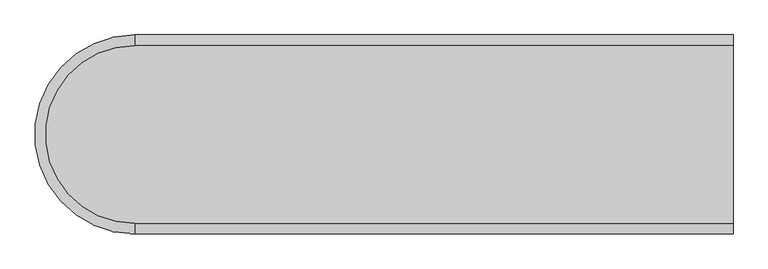
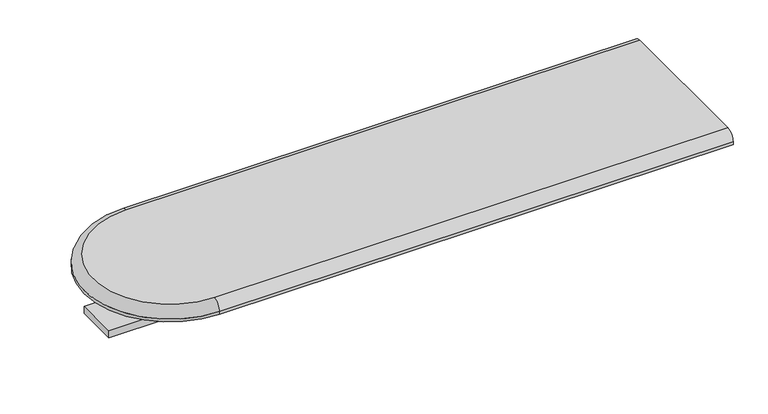
"""IFC4 building model written with IfcOpenShell, lengths in millimetres: furniture geometry."""

from ifc_helpers import new_model, si_unit, point, frame, frame_2d, origin, place, context, project, spatial, polyline, circle_curve, ellipse_curve, trimmed, segment, composite_curve, outline, extrude, source, transform, mapped, element, save
from ifc_brep_helpers import plane_surface, cylinder_surface, revolved_surface, advanced_brep


def furniture_0243b311(model_context):
    return source(origin(), model_context, "Body", "SolidModel", [
        advanced_brep(
        [(-860.8471981, 1154.1353662, 1082.675), (-860.8471981, 836.6353662, 1082.675), (205.9528019, 836.6353662, 1082.675), (205.9528019, 1154.1353662, 1082.675), (-860.8471981, 817.5853662, 1057.274997), (-860.8471981, 1173.1853662, 1057.274997), (205.9528019, 1173.1853662, 1057.274997), (205.9528019, 817.5853662, 1057.274997), (-860.8471981, 817.5853662, 1063.625), (-860.8471981, 1173.1853662, 1063.625), (205.9528019, 817.5853662, 1063.625), (205.9528019, 1173.1853662, 1063.625)],
        [
            (0, 1, circle_curve(frame((-860.8471981, 995.3853662, 1082.675), z_axis=(0.0, 0.0, 1.0), x_axis=(0.0, 1.0, 0.0)), 158.75)),
            (1, 2),
            (2, 3),
            (3, 0),
            (4, 5, circle_curve(frame((-860.8471981, 995.3853662, 1057.274997), z_axis=(0.0, 0.0, -1.0), x_axis=(0.0, 1.0, 0.0)), 177.8)),
            (5, 6),
            (6, 7),
            (7, 4),
            (4, 8),
            (8, 9, circle_curve(frame((-860.8471981, 995.3853662, 1063.625), z_axis=(0.0, 0.0, -1.0), x_axis=(0.0, 1.0, 0.0)), 177.8)),
            (9, 5),
            (0, 9, circle_curve(frame((-860.8471981, 1154.1353662, 1063.625), z_axis=(-1.0, 0.0, 0.0), x_axis=(0.0, 1.0, 0.0)), 19.05)),
            (8, 1, circle_curve(frame((-860.8471981, 836.6353662, 1063.625), z_axis=(-1.0, 0.0, 0.0), x_axis=(0.0, -1.0, 0.0)), 19.05)),
            (2, 10, circle_curve(frame((205.9528019, 836.6353662, 1063.625), z_axis=(1.0, 0.0, 0.0), x_axis=(0.0, 1.0, 0.0)), 19.05)),
            (10, 7),
            (6, 11),
            (11, 3, circle_curve(frame((205.9528019, 1154.1353662, 1063.625), z_axis=(1.0, 0.0, 0.0), x_axis=(0.0, 1.0, 0.0)), 19.05)),
            (8, 10),
            (9, 11),
        ],
        [
            plane_surface(frame((-860.8471981, 995.3853662, 1082.675), z_axis=(0.0, 0.0, 1.0), x_axis=(0.0, 1.0, 0.0))),
            plane_surface(frame((-860.8471981, 995.3853662, 1057.274997), z_axis=(0.0, 0.0, -1.0), x_axis=(0.0, 1.0, 0.0))),
            cylinder_surface(frame((-860.8471981, 995.3853662, 2440.9722001), z_axis=(0.0, 0.0, 1.0), x_axis=(0.0, 1.0, 0.0)), 177.8),
            revolved_surface(trimmed(ellipse_curve(frame((-860.8471981, 1154.1353662, 1063.625), z_axis=(1.0, 0.0, 0.0), x_axis=(0.0, 1.0, 0.0)), 19.05, 19.05), [point((-860.8471981, 1173.1853662, 1063.625))], [point((-860.8471981, 1154.1353662, 1082.675))], True, "CARTESIAN"), (-860.8471981, 995.3853662, 2440.9722001), (0.0, 0.0, 1.0)),
            plane_surface(frame((205.9528019, 855.6853662, 1063.625), z_axis=(1.0, 0.0, 0.0), x_axis=(0.0, 0.0, 1.0))),
            cylinder_surface(frame((-860.8471981, 836.6353662, 1063.625), z_axis=(1.0, 0.0, 0.0), x_axis=(0.0, 1.0, 0.0)), 19.05),
            plane_surface(frame((205.9528019, 817.5853662, 1063.625), z_axis=(0.0, -1.0, -3.4958685929816594e-12), x_axis=(-1.0, 0.0, 0.0))),
            plane_surface(frame((205.9528019, 1173.1853662, 1057.274997), z_axis=(0.0, 1.0, 0.0), x_axis=(-1.0, 0.0, 0.0))),
            cylinder_surface(frame((-860.8471981, 1154.1353662, 1063.625), z_axis=(1.0, 0.0, 0.0), x_axis=(0.0, 1.0, 0.0)), 19.05),
        ],
        [
            (0, [[1, 2, 3, 4]]),
            (1, [[5, 6, 7, 8]]),
            (2, [[-5, 9, 10, 11]]),
            (3, [[-1, 12, -10, 13]]),
            (4, [[14, 15, -7, 16, 17, -3]]),
            (5, [[-14, -2, -13, 18]]),
            (6, [[-15, -18, -9, -8]]),
            (7, [[-16, -6, -11, 19]]),
            (8, [[-17, -19, -12, -4]]),
        ],
    ),
        extrude(outline(composite_curve([segment(trimmed(circle_curve(frame_2d((53.5528019, 995.3853662)), 31.75), [point((53.5528019, 963.6353662))], [point((53.5528019, 1027.1353662))], False, "CARTESIAN"), True, "CONTINUOUS"), segment(trimmed(circle_curve(frame_2d((53.5528019, 995.3853662)), 31.75), [point((53.5528019, 1027.1353662))], [point((53.5528019, 963.6353662))], False, "CARTESIAN"), True, "CONTINUOUS")], self_intersect=False)), frame((0.0, 0.0, 993.7749996), z_axis=(0.0, 0.0, 1.0), x_axis=(1.0, 0.0, 0.0)), (0.0, 0.0, 1.0), 63.4999974),
        extrude(outline(composite_curve([segment(trimmed(circle_curve(frame_2d((-403.6471981, 995.3853662)), 31.75), [point((-403.6471981, 963.6353662))], [point((-403.6471981, 1027.1353662))], False, "CARTESIAN"), True, "CONTINUOUS"), segment(trimmed(circle_curve(frame_2d((-403.6471981, 995.3853662)), 31.75), [point((-403.6471981, 1027.1353662))], [point((-403.6471981, 963.6353662))], False, "CARTESIAN"), True, "CONTINUOUS")], self_intersect=False)), frame((0.0, 0.0, 993.7749996), z_axis=(0.0, 0.0, 1.0), x_axis=(1.0, 0.0, 0.0)), (0.0, 0.0, 1.0), 63.4999974),
        extrude(outline(composite_curve([segment(trimmed(circle_curve(frame_2d((-860.8471981, 995.3853662)), 31.75), [point((-860.8471981, 963.6353662))], [point((-860.8471981, 1027.1353662))], False, "CARTESIAN"), True, "CONTINUOUS"), segment(trimmed(circle_curve(frame_2d((-860.8471981, 995.3853662)), 31.75), [point((-860.8471981, 1027.1353662))], [point((-860.8471981, 963.6353662))], False, "CARTESIAN"), True, "CONTINUOUS")], self_intersect=False)), frame((0.0, 0.0, 993.7749996), z_axis=(0.0, 0.0, 1.0), x_axis=(1.0, 0.0, 0.0)), (0.0, 0.0, 1.0), 63.4999974),
        extrude(outline(polyline([(199.6028019, 1039.8353662), (199.6028019, 950.9353693), (-1013.2471981, 950.9353693), (-1013.2471981, 1039.8353662), (199.6028019, 1039.8353662)])), frame((0.0, 0.0, 977.9), z_axis=(0.0, 0.0, 1.0), x_axis=(1.0, 0.0, 0.0)), (0.0, 0.0, 1.0), 15.8749996),
    ])


if __name__ == "__main__":
    model = new_model("IFC4")
    model_context = context("Model", 3, world=origin())
    ifc_project = project(units=[si_unit("LENGTHUNIT", "METRE", prefix="MILLI")], contexts=[model_context])
    site = spatial("IfcSite", under=ifc_project)
    building = spatial("IfcBuilding", under=site)
    placement = place(None, origin())
    furniture_shape = furniture_0243b311(model_context)
    element("IfcFurniture", 1, at=placement, inside=building, context=model_context, shape_type="MappedRepresentation", body=[
        mapped(furniture_shape, transform((0.0, 0.0, 0.0), x_axis=(1.0, 0.0, 0.0), y_axis=(0.0, 1.0, 0.0), z_axis=(0.0, 0.0, 1.0))),
    ])
    save(model, "model.ifc")
